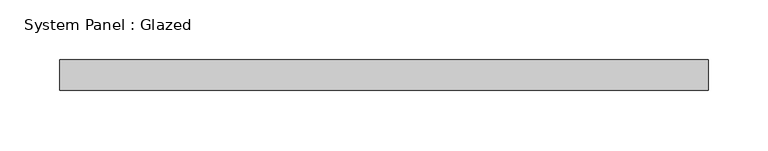
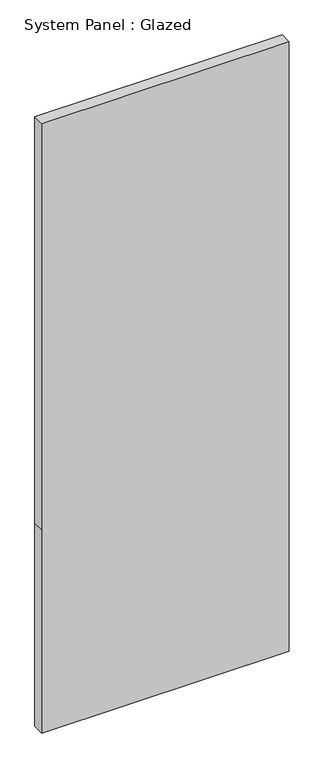
"""IFC4 building model written with IfcOpenShell, lengths in millimetres: plate geometry, System Panel : Glazed."""

from ifc_helpers import new_model, si_unit, frame, origin, place, context, project, spatial, polyline, outline, extrude, source, transform, mapped, element, save


def system_panel_glazed_c87d469c(model_context):
    return source(origin(), model_context, "Body", "SweptSolid", [
        extrude(outline(polyline([(0.0, -270.1407385), (0.0, 270.1407385), (468.25, 270.1407385), (1404.75, 270.1407385), (1404.75, -270.1407385), (468.25, -270.1407385), (0.0, -270.1407385)])), frame((0.0, 19.05, 0.0), z_axis=(0.0, 1.0, 0.0), x_axis=(0.0, 0.0, 1.0)), (0.0, 0.0, 1.0), 25.4),
    ])


if __name__ == "__main__":
    model = new_model("IFC4")
    model_context = context("Model", 3, world=origin())
    ifc_project = project(units=[si_unit("LENGTHUNIT", "METRE", prefix="MILLI")], contexts=[model_context])
    site = spatial("IfcSite", under=ifc_project)
    building = spatial("IfcBuilding", under=site)
    placement = place(None, origin())
    system_panel_glazed_shape = system_panel_glazed_c87d469c(model_context)
    element("IfcPlate", 1, ObjectType="System Panel : Glazed", at=placement, inside=building, context=model_context, shape_type="MappedRepresentation", body=[
        mapped(system_panel_glazed_shape, transform((0.0, 0.0, 0.0), x_axis=(1.0, 0.0, 0.0), y_axis=(0.0, 1.0, 0.0), z_axis=(0.0, 0.0, 1.0))),
    ])
    save(model, "model.ifc")
